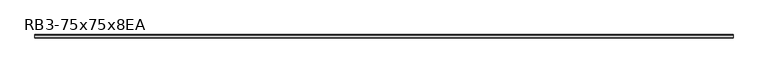
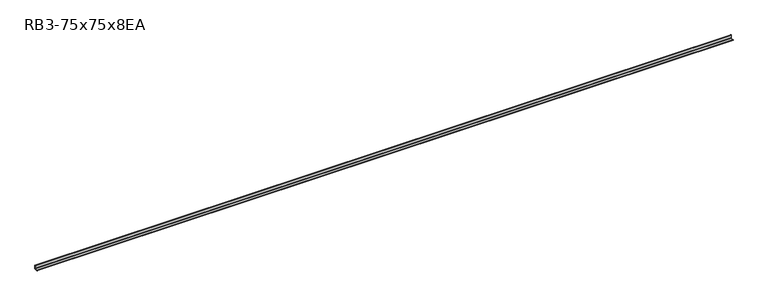
"""IFC4 building model written with IfcOpenShell, lengths in millimetres: member geometry, RB3-75x75x8EA."""

import ifcopenshell
import ifcopenshell.guid

model = None  # the IFC model being written
_history = None  # IfcOwnerHistory: only IFC2X3 demands one
_inside = {}  # id of a spatial element -> (the spatial element, [elements in it])
_under = {}  # id of a project, library or spatial element -> (it, [spatial elements below it])
_declared = {}  # id of a project -> (the project, [libraries it declares])
_typed = {}  # id of a type object -> (the type object, [elements of that type])
_made_of = {}  # id of a material, layer set ... -> (it, [elements and type objects made of it])


def new_model(schema):
    """Start an empty IFC model of exactly this schema.

    Asked for "IFC4X3", IfcOpenShell would pick the latest addendum, in which some entities
    have other attributes; the version numbers below select the first issue.
    IFC2X3 requires an IfcOwnerHistory on every rooted entity: one is made here for all.
    """
    global model, _history
    if schema == "IFC4X3":
        model = ifcopenshell.file(schema_version=(4, 3, 0, 0))
    else:
        model = ifcopenshell.file(schema=schema)
    _inside.clear()
    _under.clear()
    _declared.clear()
    _typed.clear()
    _made_of.clear()
    _history = None
    if model.schema == "IFC2X3":
        org = make("IfcOrganization", Name="unknown")
        user = make(
            "IfcPersonAndOrganization",
            ThePerson=make("IfcPerson", FamilyName="unknown"),
            TheOrganization=org,
        )
        app = make(
            "IfcApplication",
            ApplicationDeveloper=org,
            Version="unknown",
            ApplicationFullName="unknown",
            ApplicationIdentifier="unknown",
        )
        _history = make(
            "IfcOwnerHistory",
            OwningUser=user,
            OwningApplication=app,
            ChangeAction="ADDED",
            CreationDate=0,
        )
    return model


def make(cls, **values):
    """One entity of the class cls with the attributes given. An attribute that is None is left unset."""
    return model.create_entity(
        cls, **{name: value for name, value in values.items() if value is not None}
    )


def rooted(cls, **values):
    """An entity with a GlobalId (a new one), such as an element, a storey or a relation."""
    return make(cls, GlobalId=ifcopenshell.guid.new(), OwnerHistory=_history, **values)


def si_unit(unit_type, name, prefix=None):
    """IfcSIUnit, for example si_unit("LENGTHUNIT", "METRE", prefix="MILLI")."""
    return make("IfcSIUnit", UnitType=unit_type, Prefix=prefix, Name=name)


def assignment(units):
    """IfcUnitAssignment: the units of a project."""
    return None if units is None else make("IfcUnitAssignment", Units=units)


def point(xyz):
    """IfcCartesianPoint."""
    return None if xyz is None else make("IfcCartesianPoint", Coordinates=xyz)


def direction(xyz):
    """IfcDirection."""
    return None if xyz is None else make("IfcDirection", DirectionRatios=xyz)


def frame(location, z_axis=None, x_axis=None):
    """IfcAxis2Placement3D, a coordinate frame: its origin and axes. An axis left out is left unset."""
    return make(
        "IfcAxis2Placement3D",
        Location=point(location),
        Axis=direction(z_axis),
        RefDirection=direction(x_axis),
    )


def frame_2d(location, x_axis=None):
    """IfcAxis2Placement2D, a coordinate frame in the plane: its origin and x axis."""
    return make(
        "IfcAxis2Placement2D", Location=point(location), RefDirection=direction(x_axis)
    )


def origin():
    """The frame at (0, 0, 0) with its axes left unset."""
    return frame((0.0, 0.0, 0.0))


def place(relative_to, where):
    """IfcLocalPlacement: puts the frame where relative to a parent placement (None: the world)."""
    return make(
        "IfcLocalPlacement", PlacementRelTo=relative_to, RelativePlacement=where
    )


def context(
    kind, dimensions, precision=None, world=None, true_north=None, identifier=None
):
    """IfcGeometricRepresentationContext, for example the 3D "Model" context."""
    return make(
        "IfcGeometricRepresentationContext",
        ContextIdentifier=identifier,
        ContextType=kind,
        CoordinateSpaceDimension=dimensions,
        Precision=precision,
        WorldCoordinateSystem=world,
        TrueNorth=true_north,
    )


def project(units=None, contexts=None):
    """IfcProject with its units and contexts."""
    return rooted(
        "IfcProject",
        Name="project",
        RepresentationContexts=contexts,
        UnitsInContext=assignment(units),
    )


def spatial(cls, under=None, at=None, **own):
    """A site, building, storey or space (cls), placed at a placement, below another one or the project."""
    s = rooted(cls, ObjectPlacement=at, **own)
    if under is not None:
        _under.setdefault(under.id(), (under, []))[1].append(s)
    return s


def polyline(points):
    """IfcPolyline through the points."""
    return make("IfcPolyline", Points=[point(p) for p in points])


def circle_curve(where, radius):
    """IfcCircle in the frame where."""
    return make("IfcCircle", Position=where, Radius=radius)


def trimmed(basis, trim1, trim2, sense, master):
    """IfcTrimmedCurve: the piece of a basis curve between two trims."""
    return make(
        "IfcTrimmedCurve",
        BasisCurve=basis,
        Trim1=trim1,
        Trim2=trim2,
        SenseAgreement=sense,
        MasterRepresentation=master,
    )


def segment(curve, same_sense, transition):
    """IfcCompositeCurveSegment."""
    return make(
        "IfcCompositeCurveSegment",
        Transition=transition,
        SameSense=same_sense,
        ParentCurve=curve,
    )


def composite_curve(segments, self_intersect=None):
    """IfcCompositeCurve: segments joined end to end."""
    return make("IfcCompositeCurve", Segments=segments, SelfIntersect=self_intersect)


def outline(outer, holes=None, kind="AREA"):
    """IfcArbitraryClosedProfileDef: a profile drawn as a closed curve; with holes, ...WithVoids."""
    if holes is None:
        return make("IfcArbitraryClosedProfileDef", ProfileType=kind, OuterCurve=outer)
    return make(
        "IfcArbitraryProfileDefWithVoids",
        ProfileType=kind,
        OuterCurve=outer,
        InnerCurves=holes,
    )


def extrude(swept, where, along, depth):
    """IfcExtrudedAreaSolid: the profile swept, set in the frame where, extruded along a direction by depth."""
    return make(
        "IfcExtrudedAreaSolid",
        SweptArea=swept,
        Position=where,
        ExtrudedDirection=direction(along),
        Depth=depth,
    )


def shape(context_of_items, identifier, shape_type, items):
    """IfcShapeRepresentation: the items that make up one representation, for example the "Body"."""
    return make(
        "IfcShapeRepresentation",
        ContextOfItems=context_of_items,
        RepresentationIdentifier=identifier,
        RepresentationType=shape_type,
        Items=items,
    )


def source(mapping_origin, context_of_items, identifier, shape_type, items):
    """IfcRepresentationMap: a shape defined once, which mapped items show again and again."""
    return make(
        "IfcRepresentationMap",
        MappingOrigin=mapping_origin,
        MappedRepresentation=shape(context_of_items, identifier, shape_type, items),
    )


def transform(
    local_origin,
    x_axis=None,
    y_axis=None,
    z_axis=None,
    scale=None,
    scale2=None,
    scale3=None,
    uniform=True,
):
    """IfcCartesianTransformationOperator3D, or its non-uniform kind. x_axis, y_axis, z_axis: its Axis1, 2, 3."""
    if uniform:
        return make(
            "IfcCartesianTransformationOperator3D",
            Axis1=direction(x_axis),
            Axis2=direction(y_axis),
            LocalOrigin=point(local_origin),
            Scale=scale,
            Axis3=direction(z_axis),
        )
    return make(
        "IfcCartesianTransformationOperator3DnonUniform",
        Axis1=direction(x_axis),
        Axis2=direction(y_axis),
        LocalOrigin=point(local_origin),
        Scale=scale,
        Axis3=direction(z_axis),
        Scale2=scale2,
        Scale3=scale3,
    )


def mapped(mapping_source, mapping_target):
    """IfcMappedItem: shows the shape of a source again, moved by a transform."""
    return make(
        "IfcMappedItem", MappingSource=mapping_source, MappingTarget=mapping_target
    )


def made_of(thing, what):
    """Note that an element or type object is made of a material, layer set ...; save() writes the relation."""
    if what is not None:
        _made_of.setdefault(what.id(), (what, []))[1].append(thing)
    return thing


def element(
    cls,
    number,
    at=None,
    inside=None,
    cuts=None,
    type_object=None,
    material=None,
    context=None,
    identifier="Body",
    shape_type=None,
    held_by="IfcProductDefinitionShape",
    body=None,
    shapes=None,
    **own,
):
    """One element of the class cls, such as IfcWall. Its Tag is "e" and its number.

    at: its placement. inside: the storey or other place that contains it. cuts: it is an
    opening in that element (IfcRelVoidsElement). A single representation is given by context,
    identifier, shape_type and body (its items); several are given by shapes. held_by: the class
    of the entity that holds the representations. save() writes the other relations.
    """
    e = rooted(cls, Tag="e%d" % number, ObjectPlacement=at, **own)
    if body is not None:
        shapes = [shape(context, identifier, shape_type, body)]
    if shapes is not None:
        e.Representation = make(held_by, Representations=shapes)
    if inside is not None:
        _inside.setdefault(inside.id(), (inside, []))[1].append(e)
    if cuts is not None:
        rooted(
            "IfcRelVoidsElement", RelatingBuildingElement=cuts, RelatedOpeningElement=e
        )
    if type_object is not None:
        _typed.setdefault(type_object.id(), (type_object, []))[1].append(e)
    return made_of(e, material)


def aggregate(whole, parts):
    """IfcRelAggregates: a whole, such as a stair, and the parts it consists of."""
    return rooted("IfcRelAggregates", RelatingObject=whole, RelatedObjects=parts)


def save(model, path):
    """Write the relations noted so far, then the file.

    IfcRelAggregates (storeys below a building ...), IfcRelContainedInSpatialStructure (elements
    in a storey), IfcRelDefinesByType, IfcRelAssociatesMaterial and IfcRelDeclares: one each for
    every whole, place, type object, material and project.
    """
    for whole, parts in _under.values():
        aggregate(whole, parts)
    for where, things in _inside.values():
        rooted(
            "IfcRelContainedInSpatialStructure",
            RelatedElements=things,
            RelatingStructure=where,
        )
    for kind, things in _typed.values():
        rooted("IfcRelDefinesByType", RelatedObjects=things, RelatingType=kind)
    for what, things in _made_of.values():
        rooted("IfcRelAssociatesMaterial", RelatedObjects=things, RelatingMaterial=what)
    for by, libraries in _declared.values():
        rooted("IfcRelDeclares", RelatingContext=by, RelatedDefinitions=libraries)
    model.write(path)


def rb3_75x75x8ea_7eb8792f(model_context):
    return source(origin(), model_context, "Body", "SweptSolid", [
        extrude(outline(composite_curve([segment(polyline([(21.3, -21.3), (-53.7, -21.3), (-53.7, -18.3)]), True, "CONTINUOUS"), segment(trimmed(circle_curve(frame_2d((-48.7, -18.3)), 5.0), [point((-53.7, -18.3))], [point((-48.7, -13.3))], False, "CARTESIAN"), True, "CONTINUOUS"), segment(polyline([(-48.7, -13.3), (5.3, -13.3)]), True, "CONTINUOUS"), segment(trimmed(circle_curve(frame_2d((5.3, -5.3)), 8.0), [point((5.3, -13.3))], [point((13.3, -5.3))], True, "CARTESIAN"), True, "CONTINUOUS"), segment(polyline([(13.3, -5.3), (13.3, 48.7)]), True, "CONTINUOUS"), segment(trimmed(circle_curve(frame_2d((18.3, 48.7)), 5.0), [point((13.3, 48.7))], [point((18.3, 53.7))], False, "CARTESIAN"), True, "CONTINUOUS"), segment(polyline([(18.3, 53.7), (21.3, 53.7), (21.3, -21.3)]), True, "CONTINUOUS")], self_intersect=False)), frame((-7260.0, 0.0, 0.0), z_axis=(1.0, 0.0, 0.0), x_axis=(0.0, 1.0, 0.0)), (0.0, 0.0, 1.0), 14864.0),
    ])


if __name__ == "__main__":
    model = new_model("IFC4")
    model_context = context("Model", 3, world=origin())
    ifc_project = project(units=[si_unit("LENGTHUNIT", "METRE", prefix="MILLI")], contexts=[model_context])
    site = spatial("IfcSite", under=ifc_project)
    building = spatial("IfcBuilding", under=site)
    placement = place(None, origin())
    rb3_75x75x8ea_shape = rb3_75x75x8ea_7eb8792f(model_context)
    element("IfcMember", 1, ObjectType="RB3-75x75x8EA", at=placement, inside=building, context=model_context, shape_type="MappedRepresentation", body=[
        mapped(rb3_75x75x8ea_shape, transform((0.0, 0.0, 0.0), x_axis=(1.0, 0.0, 0.0), y_axis=(0.0, 1.0, 0.0), z_axis=(0.0, 0.0, 1.0))),
    ])
    save(model, "model.ifc")
